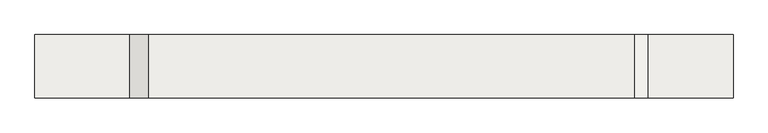
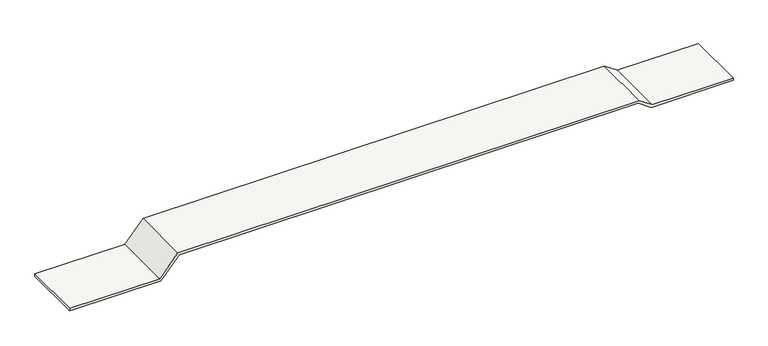
"""IFC4 building model written with IfcOpenShell, lengths in millimetres: slab geometry."""

from ifc_helpers import new_model, si_unit, frame, origin, place, context, project, spatial, polyline, outline, extrude, source, transform, mapped, element, save


def slab_db89ef71(model_context):
    return source(origin(), model_context, "Body", "SweptSolid", [
        extrude(outline(polyline([(-3200.0, -9435.905946), (-3200.0, -12879.705946), (-3300.0, -12879.705946), (-3300.0, -9390.5291233), (-2500.0, -8690.5291233), (-2500.0, 8888.8218309), (-2850.0, 9388.8218309), (-2850.0, 12520.344054), (-2750.0, 12520.344054), (-2750.0, 9420.344054), (-2400.0, 8920.344054), (-2400.0, -8735.905946), (-3200.0, -9435.905946)])), frame((0.0, -1049.5724206, 0.0), z_axis=(0.0, 1.0, 0.0), x_axis=(0.0, 0.0, 1.0)), (0.0, 0.0, 1.0), 2300.0),
    ])


if __name__ == "__main__":
    model = new_model("IFC4")
    model_context = context("Model", 3, world=origin())
    ifc_project = project(units=[si_unit("LENGTHUNIT", "METRE", prefix="MILLI")], contexts=[model_context])
    site = spatial("IfcSite", under=ifc_project)
    building = spatial("IfcBuilding", under=site)
    placement = place(None, origin())
    slab_shape = slab_db89ef71(model_context)
    element("IfcSlab", 1, at=placement, inside=building, context=model_context, shape_type="MappedRepresentation", body=[
        mapped(slab_shape, transform((0.0, 0.0, 0.0), x_axis=(1.0, 0.0, 0.0), y_axis=(0.0, 1.0, 0.0), z_axis=(0.0, 0.0, 1.0))),
    ])
    save(model, "model.ifc")
